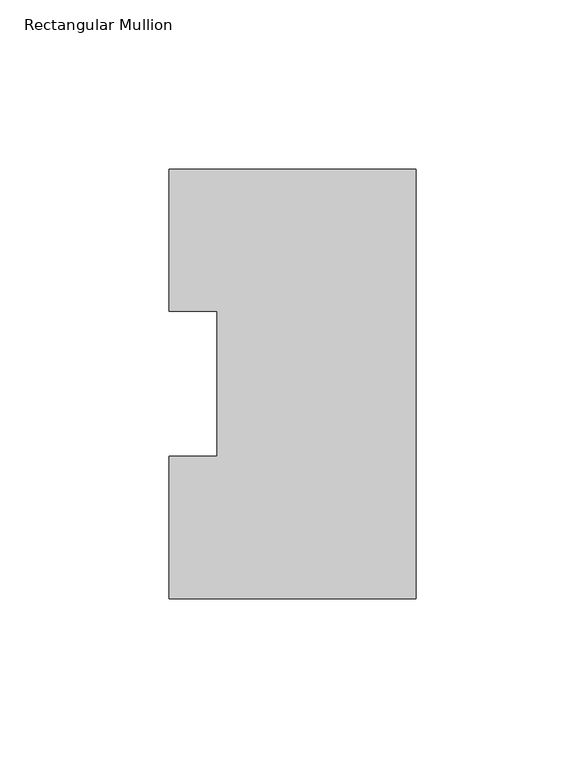
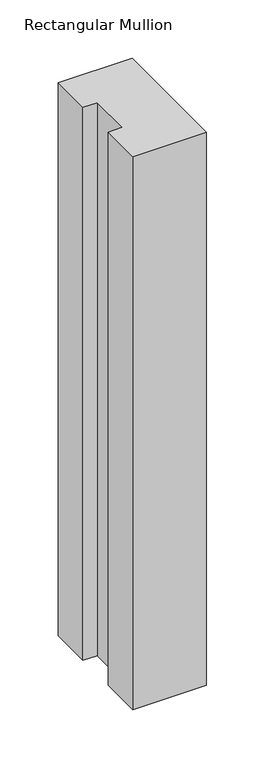
"""IFC4 building model written with IfcOpenShell, lengths in millimetres: member geometry, Rectangular Mullion."""

from ifc_helpers import new_model, si_unit, frame, origin, place, context, project, spatial, polyline, outline, extrude, source, transform, mapped, element, save


def rectangular_mullion_41957884(model_context):
    return source(origin(), model_context, "Body", "SweptSolid", [
        extrude(outline(polyline([(0.0, 127.006348), (0.0, 0.0063465), (-73.025, 0.0063465), (-73.025, 42.0814491), (-58.7375, 42.0814491), (-58.7375, 84.93125), (-73.025, 84.93125), (-73.025, 127.006348), (0.0, 127.006348)])), frame((0.0, 0.0, -577.8563826), z_axis=(0.0, 0.0, 1.0), x_axis=(1.0, 0.0, 0.0)), (0.0, 0.0, 1.0), 577.8563826),
    ])


if __name__ == "__main__":
    model = new_model("IFC4")
    model_context = context("Model", 3, world=origin())
    ifc_project = project(units=[si_unit("LENGTHUNIT", "METRE", prefix="MILLI")], contexts=[model_context])
    site = spatial("IfcSite", under=ifc_project)
    building = spatial("IfcBuilding", under=site)
    placement = place(None, origin())
    rectangular_mullion_shape = rectangular_mullion_41957884(model_context)
    element("IfcMember", 1, ObjectType="Rectangular Mullion", at=placement, inside=building, context=model_context, shape_type="MappedRepresentation", body=[
        mapped(rectangular_mullion_shape, transform((0.0, 0.0, 0.0), x_axis=(1.0, 0.0, 0.0), y_axis=(0.0, 1.0, 0.0), z_axis=(0.0, 0.0, 1.0))),
    ])
    save(model, "model.ifc")
